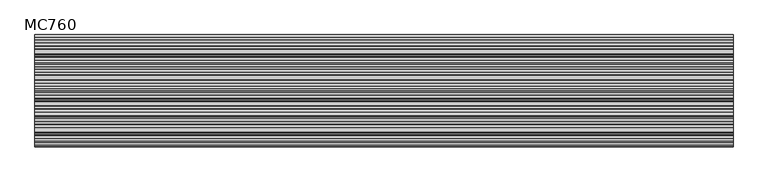
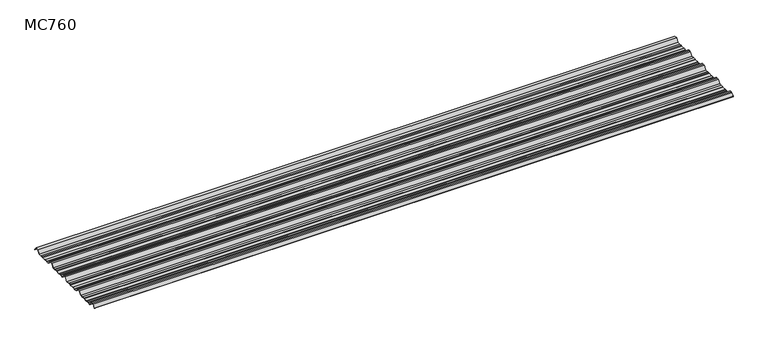
"""IFC4 building model written with IfcOpenShell, lengths in millimetres: beam geometry, MC760."""

from ifc_helpers import new_model, si_unit, point, frame, frame_2d, origin, place, context, project, spatial, polyline, circle_curve, trimmed, segment, composite_curve, outline, extrude, source, transform, mapped, element, save


def mc760_dc3f0583(model_context):
    return source(origin(), model_context, "Body", "SweptSolid", [
        extrude(outline(composite_curve([segment(polyline([(-157.5000859, -25.7896475), (-178.0745114, 2.2103525), (-190.0, 2.2103525), (-201.9254886, 2.2103525), (-222.4999141, -25.7896475), (-245.1975582, -25.7896475), (-248.4126024, -23.7494212), (-264.8405937, -23.7494212), (-269.2209114, -25.7896475), (-300.7790886, -25.7896475), (-305.1594063, -23.7494212), (-321.5873976, -23.7494212), (-324.8024418, -25.7896475), (-347.5000859, -25.7896475), (-368.0745114, 2.2103525), (-380.0, 2.2103525), (-391.9254886, 2.2103525), (-412.4999141, -25.7896475), (-435.1975582, -25.7896475), (-438.4126024, -23.7494212), (-454.8405937, -23.7494212), (-459.2209114, -25.7896475), (-490.7790886, -25.7896475), (-495.1594063, -23.7494212), (-511.5873976, -23.7494212), (-514.8024418, -25.7896475), (-537.5000859, -25.7896475), (-558.0745114, 2.2103525), (-570.0, 2.2103525), (-581.9254886, 2.2103525), (-602.4999141, -25.7896475), (-625.1975582, -25.7896475), (-628.4126024, -23.7494212), (-644.8405937, -23.7494212), (-649.2209114, -25.7896475), (-680.7790886, -25.7896475), (-685.1594063, -23.7494212), (-701.5873976, -23.7494212), (-704.8024418, -25.7896475), (-727.5000859, -25.7896475), (-748.0745114, 2.2103525), (-760.0, 2.2103525), (-771.9254886, 2.2103525), (-787.4770979, -18.9540324)]), True, "CONTINUOUS"), segment(trimmed(circle_curve(frame_2d((-787.9022179, -18.6416538)), 0.5275485), [point((-787.4770979, -18.9540324))], [point((-788.327338, -18.3292752))], False, "CARTESIAN"), True, "CONTINUOUS"), segment(polyline([(-788.327338, -18.3292752), (-772.5, 3.2103525), (-760.0, 3.2103525), (-747.5, 3.2103525), (-726.9255746, -24.7896475), (-705.0929563, -24.7896475), (-701.8779121, -22.7494212), (-684.9379428, -22.7494212), (-680.5576251, -24.7896475), (-649.4423749, -24.7896475), (-645.0620572, -22.7494212), (-628.1220879, -22.7494212), (-624.9070437, -24.7896475), (-603.0744254, -24.7896475), (-582.5, 3.2103525), (-570.0, 3.2103525), (-557.5, 3.2103525), (-536.9255746, -24.7896475), (-515.0929563, -24.7896475), (-511.8779121, -22.7494212), (-494.9379428, -22.7494212), (-490.5576251, -24.7896475), (-459.4423749, -24.7896475), (-455.0620572, -22.7494212), (-438.1220879, -22.7494212), (-434.9070437, -24.7896475), (-413.0744254, -24.7896475), (-392.5, 3.2103525), (-380.0, 3.2103525), (-367.5, 3.2103525), (-346.9255746, -24.7896475), (-325.0929563, -24.7896475), (-321.8779121, -22.7494212), (-304.9379428, -22.7494212), (-300.5576251, -24.7896475), (-269.4423749, -24.7896475), (-265.0620572, -22.7494212), (-248.1220879, -22.7494212), (-244.9070437, -24.7896475), (-223.0744254, -24.7896475), (-202.5, 3.2103525), (-190.0, 3.2103525), (-177.5, 3.2103525), (-156.9255746, -24.7896475), (-135.0929563, -24.7896475), (-131.8779121, -22.7494212), (-114.9379428, -22.7494212), (-110.5576251, -24.7896475), (-79.4423749, -24.7896475), (-75.0620572, -22.7494212), (-58.1220879, -22.7494212), (-54.9070437, -24.7896475), (-30.524173, -24.7896475), (-11.4193494, 1.2103525), (11.4193494, 1.2103525), (27.9327415, -21.262935)]), True, "CONTINUOUS"), segment(trimmed(circle_curve(frame_2d((27.5298212, -21.5590012)), 0.5), [point((27.9327415, -21.262935))], [point((27.1269009, -21.8550675))], False, "CARTESIAN"), True, "CONTINUOUS"), segment(polyline([(27.1269009, -21.8550675), (10.9132102, 0.2103525), (-10.9132102, 0.2103525), (-30.0180338, -25.7896475), (-55.1975582, -25.7896475), (-58.4126024, -23.7494212), (-74.8405937, -23.7494212), (-79.2209114, -25.7896475), (-110.7790886, -25.7896475), (-115.1594063, -23.7494212), (-131.5873976, -23.7494212), (-134.8024418, -25.7896475), (-157.5000859, -25.7896475)]), True, "CONTINUOUS")], self_intersect=False)), frame((-2535.0, 0.0, 0.0), z_axis=(1.0, 0.0, 0.0), x_axis=(0.0, 1.0, 0.0)), (0.0, 0.0, 1.0), 5070.0),
    ])


if __name__ == "__main__":
    model = new_model("IFC4")
    model_context = context("Model", 3, world=origin())
    ifc_project = project(units=[si_unit("LENGTHUNIT", "METRE", prefix="MILLI")], contexts=[model_context])
    site = spatial("IfcSite", under=ifc_project)
    building = spatial("IfcBuilding", under=site)
    placement = place(None, origin())
    mc760_shape = mc760_dc3f0583(model_context)
    element("IfcBeam", 1, ObjectType="MC760", at=placement, inside=building, context=model_context, shape_type="MappedRepresentation", body=[
        mapped(mc760_shape, transform((0.0, 0.0, 0.0), x_axis=(1.0, 0.0, 0.0), y_axis=(0.0, 1.0, 0.0), z_axis=(0.0, 0.0, 1.0))),
    ])
    save(model, "model.ifc")
